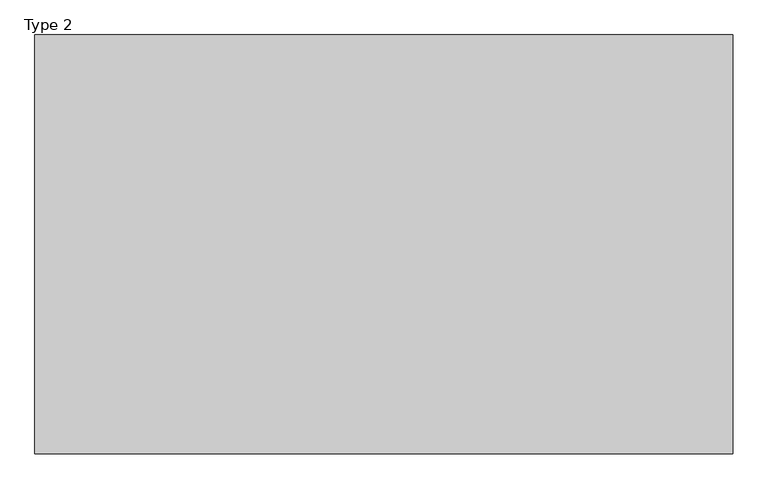
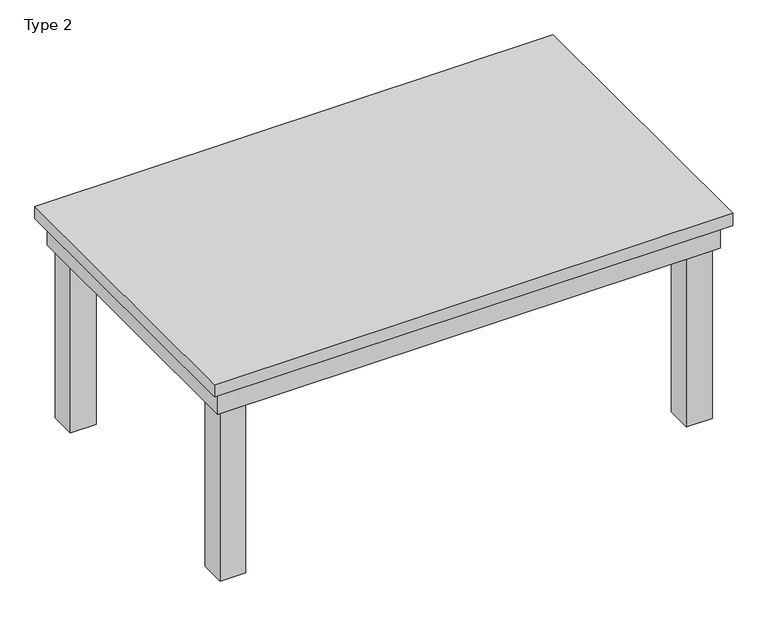
"""IFC4 building model written with IfcOpenShell, lengths in millimetres: furniture geometry, Type 2."""

from ifc_helpers import new_model, si_unit, frame, origin, place, context, project, spatial, polyline, outline, extrude, source, transform, mapped, element, save


def type_2_f4380d3f(model_context):
    return source(origin(), model_context, "Body", "SweptSolid", [
        extrude(outline(polyline([(950.0, 550.0), (950.0, 450.0), (850.0, 450.0), (850.0, 550.0), (950.0, 550.0)])), frame((0.0, 0.0, 2.6831458), z_axis=(0.0, 0.0, 1.0), x_axis=(1.0, 0.0, 0.0)), (0.0, 0.0, 1.0), 800.0),
        extrude(outline(polyline([(950.0, -450.0), (950.0, -550.0), (850.0, -550.0), (850.0, -450.0), (950.0, -450.0)])), frame((0.0, 0.0, 2.6831458), z_axis=(0.0, 0.0, 1.0), x_axis=(1.0, 0.0, 0.0)), (0.0, 0.0, 1.0), 800.0),
        extrude(outline(polyline([(-850.0, -450.0), (-850.0, -550.0), (-950.0, -550.0), (-950.0, -450.0), (-850.0, -450.0)])), frame((0.0, 0.0, 2.6831458), z_axis=(0.0, 0.0, 1.0), x_axis=(1.0, 0.0, 0.0)), (0.0, 0.0, 1.0), 800.0),
        extrude(outline(polyline([(-850.0, 550.0), (-850.0, 450.0), (-950.0, 450.0), (-950.0, 550.0), (-850.0, 550.0)])), frame((0.0, 0.0, 2.6831458), z_axis=(0.0, 0.0, 1.0), x_axis=(1.0, 0.0, 0.0)), (0.0, 0.0, 1.0), 800.0),
        extrude(outline(polyline([(970.0, 570.0), (970.0, -570.0), (-970.0, -570.0), (-970.0, 570.0), (970.0, 570.0)]), holes=[polyline([(940.0, 540.0), (-940.0, 540.0), (-940.0, -540.0), (940.0, -540.0), (940.0, 540.0)])]), frame((0.0, 0.0, 702.6831458), z_axis=(0.0, 0.0, 1.0), x_axis=(1.0, 0.0, 0.0)), (0.0, 0.0, 1.0), 100.0),
        extrude(outline(polyline([(1000.0, 600.0), (1000.0, -600.0), (-1000.0, -600.0), (-1000.0, 600.0), (1000.0, 600.0)])), frame((0.0, 0.0, 802.6831458), z_axis=(0.0, 0.0, 1.0), x_axis=(1.0, 0.0, 0.0)), (0.0, 0.0, 1.0), 50.0),
    ])


if __name__ == "__main__":
    model = new_model("IFC4")
    model_context = context("Model", 3, world=origin())
    ifc_project = project(units=[si_unit("LENGTHUNIT", "METRE", prefix="MILLI")], contexts=[model_context])
    site = spatial("IfcSite", under=ifc_project)
    building = spatial("IfcBuilding", under=site)
    placement = place(None, origin())
    type_2_shape = type_2_f4380d3f(model_context)
    element("IfcFurniture", 1, ObjectType="Type 2", at=placement, inside=building, context=model_context, shape_type="MappedRepresentation", body=[
        mapped(type_2_shape, transform((0.0, 0.0, 0.0), x_axis=(1.0, 0.0, 0.0), y_axis=(0.0, 1.0, 0.0), z_axis=(0.0, 0.0, 1.0))),
    ])
    save(model, "model.ifc")
